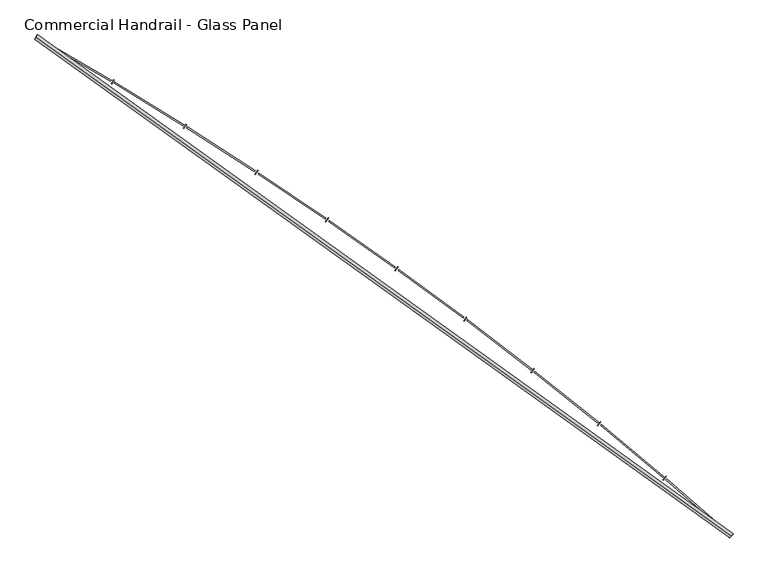
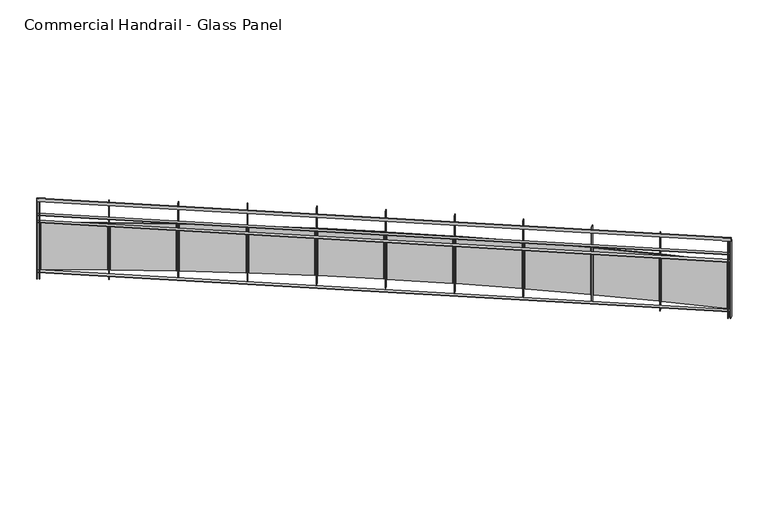
"""IFC4 building model written with IfcOpenShell, lengths in millimetres: railing geometry, Commercial Handrail - Glass Panel."""

from ifc_helpers import new_model, si_unit, point, frame, origin, place, context, project, spatial, polyline, circle_curve, ellipse_curve, trimmed, outline, extrude, source, transform, mapped, element, save
from ifc_brep_helpers import plane_surface, cylinder_surface, revolved_surface, advanced_brep


def commercial_handrail_glass_panel_45678887(model_context):
    return source(origin(), model_context, "Body", "SolidModel", [
        advanced_brep(
        [(167549.0741026, -21421.502679, 26482.5), (161013.6212135, -16726.1286002, 26482.5), (161013.6212135, -16726.1286002, 26517.5), (167549.0741026, -21421.502679, 26517.5)],
        [
            (0, 1, circle_curve(frame((141448.4989992, -50854.6714836, 26482.5), z_axis=(0.0, 0.0, 1.0), x_axis=(0.4973475894068907, 0.8675513675346002, 0.0)), 39338.9304203)),
            (1, 2, ellipse_curve(frame((161013.6212135, -16726.1286002, 26500.0), z_axis=(0.8675513675345968, -0.4973475894068965, 0.0), x_axis=(-0.4973475894068965, -0.8675513675345968, 0.0)), 25.0, 17.5)),
            (2, 3, circle_curve(frame((141448.4989992, -50854.6714836, 26517.5), z_axis=(0.0, 0.0, -1.0), x_axis=(0.4973475894068907, 0.8675513675346002, 0.0)), 39338.9304203)),
            (3, 0, ellipse_curve(frame((167549.0741026, -21421.502679, 26500.0), z_axis=(-0.7481944346262088, 0.6634795309535689, 0.0), x_axis=(-0.6634795309535689, -0.7481944346262088, 0.0)), 25.0, 17.5)),
            (2, 1, ellipse_curve(frame((161013.6212135, -16726.1286002, 26500.0), z_axis=(0.8675513675345968, -0.4973475894068965, 0.0), x_axis=(-0.4973475894068965, -0.8675513675345968, 0.0)), 25.0, 17.5)),
            (0, 3, ellipse_curve(frame((167549.0741026, -21421.502679, 26500.0), z_axis=(-0.7481944346262088, 0.6634795309535689, 0.0), x_axis=(-0.6634795309535689, -0.7481944346262088, 0.0)), 25.0, 17.5)),
        ],
        [
            revolved_surface(trimmed(ellipse_curve(frame((161013.6212135, -16726.1286002, 26500.0), z_axis=(-0.8675513675346002, 0.4973475894068907, 0.0), x_axis=(0.0, 0.0, -1.0)), 17.5, 25.0), [point((161013.6212135, -16726.1286002, 26517.5))], [point((161013.6212135, -16726.1286002, 26482.5))], True, "CARTESIAN"), (141448.4989992, -50854.6714836, 26500.0), (0.0, 0.0, -1.0)),
            revolved_surface(trimmed(ellipse_curve(frame((161013.6212135, -16726.1286002, 26500.0), z_axis=(-0.8675513675346002, 0.4973475894068907, 0.0), x_axis=(0.0, 0.0, -1.0)), 17.5, 25.0), [point((161013.6212135, -16726.1286002, 26482.5))], [point((161013.6212135, -16726.1286002, 26517.5))], True, "CARTESIAN"), (141448.4989992, -50854.6714836, 26500.0), (0.0, 0.0, -1.0)),
            plane_surface(frame((161013.6212135, -16726.1286002, 26500.0), z_axis=(-0.8675513675346002, 0.4973475894068907, 0.0), x_axis=(0.4973475894068907, 0.8675513675346002, 0.0))),
            plane_surface(frame((167549.0741026, -21421.502679, 26500.0), z_axis=(0.7481944346262088, -0.663479530953569, 0.0), x_axis=(0.663479530953569, 0.7481944346262088, 0.0))),
        ],
        [
            (0, [[1, 2, 3, 4]]),
            (1, [[-3, 5, -1, 6]]),
            (2, [[-2, -5]]),
            (3, [[-6, -4]]),
        ],
    ),
        advanced_brep(
        [(167564.0023921, -21404.6683042, 26300.0), (161024.8115343, -16706.6086944, 26300.0), (161002.4308928, -16745.6485059, 26300.0), (167534.1458132, -21438.3370538, 26300.0), (167564.0023921, -21404.6683042, 26294.0), (161024.8115343, -16706.6086944, 26294.0), (167534.1458132, -21438.3370538, 26294.0), (161002.4308928, -16745.6485059, 26294.0)],
        [
            (0, 1, circle_curve(frame((141448.4989992, -50854.6714836, 26300.0), z_axis=(0.0, 0.0, 1.0), x_axis=(0.4973475894068907, 0.8675513675346002, 0.0)), 39361.4304203)),
            (1, 2),
            (2, 3, circle_curve(frame((141448.4989992, -50854.6714836, 26300.0), z_axis=(0.0, 0.0, -1.0), x_axis=(0.4973475894068907, 0.8675513675346002, 0.0)), 39316.4304203)),
            (3, 0),
            (4, 5, circle_curve(frame((141448.4989992, -50854.6714836, 26294.0), z_axis=(0.0, 0.0, 1.0), x_axis=(0.4973475894068907, 0.8675513675346002, 0.0)), 39361.4304203)),
            (5, 1),
            (0, 4),
            (6, 7, circle_curve(frame((141448.4989992, -50854.6714836, 26294.0), z_axis=(0.0, 0.0, 1.0), x_axis=(0.4973475894068907, 0.8675513675346002, 0.0)), 39316.4304203)),
            (7, 5),
            (4, 6),
            (2, 7),
            (6, 3),
        ],
        [
            plane_surface(frame((141448.4989992, -50854.6714836, 26300.0), z_axis=(0.0, 0.0, 1.0), x_axis=(0.4973475894068907, 0.8675513675346002, 0.0))),
            cylinder_surface(frame((141448.4989992, -50854.6714836, 26300.0), z_axis=(0.0, 0.0, -1.0), x_axis=(0.4973475894068907, 0.8675513675346002, 0.0)), 39361.4304203),
            plane_surface(frame((141448.4989992, -50854.6714836, 26294.0), z_axis=(0.0, 0.0, -1.0), x_axis=(0.4973475894068907, 0.8675513675346002, 0.0))),
            revolved_surface(polyline([(161002.43089281995, -16745.64850588978, 26294.0), (161002.43089281995, -16745.64850588978, 26300.0)]), (141448.4989992, -50854.6714836, 26300.0), (0.0, 0.0, -1.0)),
            plane_surface(frame((161013.6212135, -16726.1286002, 26300.0), z_axis=(-0.8675513675346002, 0.4973475894068907, 0.0), x_axis=(0.4973475894068907, 0.8675513675346002, 0.0))),
            plane_surface(frame((167549.0741026, -21421.502679, 26300.0), z_axis=(0.7481944346262088, -0.663479530953569, 0.0), x_axis=(0.663479530953569, 0.7481944346262088, 0.0))),
        ],
        [
            (0, [[1, 2, 3, 4]]),
            (1, [[5, 6, -1, 7]]),
            (2, [[8, 9, -5, 10]]),
            (3, [[-3, 11, -8, 12]]),
            (4, [[-2, -6, -9, -11]]),
            (5, [[-12, -10, -7, -4]]),
        ],
    ),
        advanced_brep(
        [(167564.0023921, -21404.6683042, 26200.0), (161024.8115343, -16706.6086944, 26200.0), (161002.4308928, -16745.6485059, 26200.0), (167534.1458132, -21438.3370538, 26200.0), (167564.0023921, -21404.6683042, 26194.0), (161024.8115343, -16706.6086944, 26194.0), (167534.1458132, -21438.3370538, 26194.0), (161002.4308928, -16745.6485059, 26194.0)],
        [
            (0, 1, circle_curve(frame((141448.4989992, -50854.6714836, 26200.0), z_axis=(0.0, 0.0, 1.0), x_axis=(0.4973475894068907, 0.8675513675346002, 0.0)), 39361.4304203)),
            (1, 2),
            (2, 3, circle_curve(frame((141448.4989992, -50854.6714836, 26200.0), z_axis=(0.0, 0.0, -1.0), x_axis=(0.4973475894068907, 0.8675513675346002, 0.0)), 39316.4304203)),
            (3, 0),
            (4, 5, circle_curve(frame((141448.4989992, -50854.6714836, 26194.0), z_axis=(0.0, 0.0, 1.0), x_axis=(0.4973475894068907, 0.8675513675346002, 0.0)), 39361.4304203)),
            (5, 1),
            (0, 4),
            (6, 7, circle_curve(frame((141448.4989992, -50854.6714836, 26194.0), z_axis=(0.0, 0.0, 1.0), x_axis=(0.4973475894068907, 0.8675513675346002, 0.0)), 39316.4304203)),
            (7, 5),
            (4, 6),
            (2, 7),
            (6, 3),
        ],
        [
            plane_surface(frame((141448.4989992, -50854.6714836, 26200.0), z_axis=(0.0, 0.0, 1.0), x_axis=(0.4973475894068907, 0.8675513675346002, 0.0))),
            cylinder_surface(frame((141448.4989992, -50854.6714836, 26200.0), z_axis=(0.0, 0.0, -1.0), x_axis=(0.4973475894068907, 0.8675513675346002, 0.0)), 39361.4304203),
            plane_surface(frame((141448.4989992, -50854.6714836, 26194.0), z_axis=(0.0, 0.0, -1.0), x_axis=(0.4973475894068907, 0.8675513675346002, 0.0))),
            revolved_surface(polyline([(161002.43089281995, -16745.64850588978, 26194.0), (161002.43089281995, -16745.64850588978, 26200.0)]), (141448.4989992, -50854.6714836, 26200.0), (0.0, 0.0, -1.0)),
            plane_surface(frame((161013.6212135, -16726.1286002, 26200.0), z_axis=(-0.8675513675346002, 0.4973475894068907, 0.0), x_axis=(0.4973475894068907, 0.8675513675346002, 0.0))),
            plane_surface(frame((167549.0741026, -21421.502679, 26200.0), z_axis=(0.7481944346262088, -0.663479530953569, 0.0), x_axis=(0.663479530953569, 0.7481944346262088, 0.0))),
        ],
        [
            (0, [[1, 2, 3, 4]]),
            (1, [[5, 6, -1, 7]]),
            (2, [[8, 9, -5, 10]]),
            (3, [[-3, 11, -8, 12]]),
            (4, [[-2, -6, -9, -11]]),
            (5, [[-12, -10, -7, -4]]),
        ],
    ),
        advanced_brep(
        [(167564.0023921, -21404.6683042, 25500.0), (161024.8115343, -16706.6086944, 25500.0), (161002.4308928, -16745.6485059, 25500.0), (167534.1458132, -21438.3370538, 25500.0), (167564.0023921, -21404.6683042, 25494.0), (161024.8115343, -16706.6086944, 25494.0), (167534.1458132, -21438.3370538, 25494.0), (161002.4308928, -16745.6485059, 25494.0)],
        [
            (0, 1, circle_curve(frame((141448.4989992, -50854.6714836, 25500.0), z_axis=(0.0, 0.0, 1.0), x_axis=(0.4973475894068907, 0.8675513675346002, 0.0)), 39361.4304203)),
            (1, 2),
            (2, 3, circle_curve(frame((141448.4989992, -50854.6714836, 25500.0), z_axis=(0.0, 0.0, -1.0), x_axis=(0.4973475894068907, 0.8675513675346002, 0.0)), 39316.4304203)),
            (3, 0),
            (4, 5, circle_curve(frame((141448.4989992, -50854.6714836, 25494.0), z_axis=(0.0, 0.0, 1.0), x_axis=(0.4973475894068907, 0.8675513675346002, 0.0)), 39361.4304203)),
            (5, 1),
            (0, 4),
            (6, 7, circle_curve(frame((141448.4989992, -50854.6714836, 25494.0), z_axis=(0.0, 0.0, 1.0), x_axis=(0.4973475894068907, 0.8675513675346002, 0.0)), 39316.4304203)),
            (7, 5),
            (4, 6),
            (2, 7),
            (6, 3),
        ],
        [
            plane_surface(frame((141448.4989992, -50854.6714836, 25500.0), z_axis=(0.0, 0.0, 1.0), x_axis=(0.4973475894068907, 0.8675513675346002, 0.0))),
            cylinder_surface(frame((141448.4989992, -50854.6714836, 25500.0), z_axis=(0.0, 0.0, -1.0), x_axis=(0.4973475894068907, 0.8675513675346002, 0.0)), 39361.4304203),
            plane_surface(frame((141448.4989992, -50854.6714836, 25494.0), z_axis=(0.0, 0.0, -1.0), x_axis=(0.4973475894068907, 0.8675513675346002, 0.0))),
            revolved_surface(polyline([(161002.43089281995, -16745.64850588978, 25494.0), (161002.43089281995, -16745.64850588978, 25500.0)]), (141448.4989992, -50854.6714836, 25500.0), (0.0, 0.0, -1.0)),
            plane_surface(frame((161013.6212135, -16726.1286002, 25500.0), z_axis=(-0.8675513675346002, 0.4973475894068907, 0.0), x_axis=(0.4973475894068907, 0.8675513675346002, 0.0))),
            plane_surface(frame((167549.0741026, -21421.502679, 25500.0), z_axis=(0.7481944346262088, -0.663479530953569, 0.0), x_axis=(0.663479530953569, 0.7481944346262088, 0.0))),
        ],
        [
            (0, [[1, 2, 3, 4]]),
            (1, [[5, 6, -1, 7]]),
            (2, [[8, 9, -5, 10]]),
            (3, [[-3, 11, -8, 12]]),
            (4, [[-2, -6, -9, -11]]),
            (5, [[-12, -10, -7, -4]]),
        ],
    ),
        extrude(outline(polyline([(167508.9444824, -21416.0082801), (167538.7747877, -21382.3162501), (167543.2670583, -21386.2936241), (167513.436753, -21419.9856541), (167508.9444824, -21416.0082801)])), frame((0.0, 0.0, 25400.0), z_axis=(0.0, 0.0, 1.0), x_axis=(1.0, 0.0, 0.0)), (0.0, 0.0, 1.0), 1082.1192282),
        extrude(outline(polyline([(166942.1525945, -20883.992877), (167516.2667104, -21381.9818146), (167508.4037272, -21391.0467743), (166934.2896113, -20893.0578368), (166942.1525945, -20883.992877)])), frame((0.0, 0.0, 25520.0), z_axis=(0.0, 0.0, 1.0), x_axis=(1.0, 0.0, 0.0)), (0.0, 0.0, 1.0), 660.0),
        extrude(outline(polyline([(166904.9299151, -20892.1643286), (166934.0689354, -20857.8726752), (166938.6411559, -20861.7578779), (166909.5021355, -20896.0495313), (166904.9299151, -20892.1643286)])), frame((0.0, 0.0, 25400.0), z_axis=(0.0, 0.0, 1.0), x_axis=(1.0, 0.0, 0.0)), (0.0, 0.0, 1.0), 1082.1192282),
        extrude(outline(polyline([(166327.4368564, -20371.7844669), (166911.5587116, -20857.9960035), (166903.8816873, -20867.2189802), (166319.7598321, -20381.0074436), (166327.4368564, -20371.7844669)])), frame((0.0, 0.0, 25520.0), z_axis=(0.0, 0.0, 1.0), x_axis=(1.0, 0.0, 0.0)), (0.0, 0.0, 1.0), 660.0),
        extrude(outline(polyline([(166290.3880375, -20380.7111404), (166318.8237226, -20345.8340446), (166323.4740021, -20349.6254693), (166295.0383169, -20384.5025651), (166290.3880375, -20380.7111404)])), frame((0.0, 0.0, 25400.0), z_axis=(0.0, 0.0, 1.0), x_axis=(1.0, 0.0, 0.0)), (0.0, 0.0, 1.0), 1082.1192282),
        extrude(outline(polyline([(165702.4326258, -19872.1820192), (166296.3206611, -20346.4150858), (166288.8327706, -20355.7922653), (165694.9447352, -19881.5591987), (165702.4326258, -19872.1820192)])), frame((0.0, 0.0, 25520.0), z_axis=(0.0, 0.0, 1.0), x_axis=(1.0, 0.0, 0.0)), (0.0, 0.0, 1.0), 660.0),
        extrude(outline(polyline([(165665.5729886, -19881.860223), (165693.2935792, -19846.4121081), (165698.0199946, -19850.1081868), (165670.2994039, -19885.5563018), (165665.5729886, -19881.860223)])), frame((0.0, 0.0, 25400.0), z_axis=(0.0, 0.0, 1.0), x_axis=(1.0, 0.0, 0.0)), (0.0, 0.0, 1.0), 1082.1192282),
        extrude(outline(polyline([(165067.3983683, -19385.3921406), (165670.8069859, -19847.4506219), (165663.5113257, -19856.9781264), (165060.102708, -19394.9196451), (165067.3983683, -19385.3921406)])), frame((0.0, 0.0, 25520.0), z_axis=(0.0, 0.0, 1.0), x_axis=(1.0, 0.0, 0.0)), (0.0, 0.0, 1.0), 660.0),
        extrude(outline(polyline([(165030.7431559, -19395.8178725), (165057.7371883, -19359.8133976), (165062.537785, -19363.412602), (165035.5437525, -19399.4170768), (165030.7431559, -19395.8178725)])), frame((0.0, 0.0, 25400.0), z_axis=(0.0, 0.0, 1.0), x_axis=(1.0, 0.0, 0.0)), (0.0, 0.0, 1.0), 1082.1192282),
        extrude(outline(polyline([(164422.5966974, -18911.6161393), (165035.2763625, -19361.3089545), (165028.1759496, -19370.982844), (164415.4962846, -18921.2900288), (164422.5966974, -18911.6161393)])), frame((0.0, 0.0, 25520.0), z_axis=(0.0, 0.0, 1.0), x_axis=(1.0, 0.0, 0.0)), (0.0, 0.0, 1.0), 660.0),
        extrude(outline(polyline([(164386.1610683, -18922.7850878), (164412.4173794, -18886.2391424), (164417.2901721, -18889.7399839), (164391.033861, -18926.2859293), (164386.1610683, -18922.7850878)])), frame((0.0, 0.0, 25400.0), z_axis=(0.0, 0.0, 1.0), x_axis=(1.0, 0.0, 0.0)), (0.0, 0.0, 1.0), 1082.1192282),
        extrude(outline(polyline([(163768.294266, -18451.0499418), (164389.9916095, -18888.1911239), (164383.0893803, -18898.0073978), (163761.3920368, -18460.8662157), (163768.294266, -18451.0499418)])), frame((0.0, 0.0, 25520.0), z_axis=(0.0, 0.0, 1.0), x_axis=(1.0, 0.0, 0.0)), (0.0, 0.0, 1.0), 660.0),
        extrude(outline(polyline([(163732.0932877, -18462.957488), (163757.6010195, -18425.8851854), (163762.5439932, -18429.2862163), (163737.0362614, -18466.3585189), (163732.0932877, -18462.957488)])), frame((0.0, 0.0, 25400.0), z_axis=(0.0, 0.0, 1.0), x_axis=(1.0, 0.0, 0.0)), (0.0, 0.0, 1.0), 1082.1192282),
        extrude(outline(polyline([(163104.7616557, -18003.8840116), (163735.2195795, -18428.2927843), (163728.5183883, -18438.2473831), (163098.0604645, -18013.8386104), (163104.7616557, -18003.8840116)])), frame((0.0, 0.0, 25520.0), z_axis=(0.0, 0.0, 1.0), x_axis=(1.0, 0.0, 0.0)), (0.0, 0.0, 1.0), 660.0),
        extrude(outline(polyline([(163068.810299, -18016.5252312), (163093.5589027, -17978.9419023), (163098.5700133, -17982.2417162), (163073.8214095, -18019.8250451), (163068.810299, -18016.5252312)])), frame((0.0, 0.0, 25400.0), z_axis=(0.0, 0.0, 1.0), x_axis=(1.0, 0.0, 0.0)), (0.0, 0.0, 1.0), 1082.1192282),
        extrude(outline(polyline([(162432.2732653, -17570.3032708), (163071.2310484, -17981.8041231), (163064.7336665, -17991.8929302), (162425.7758834, -17580.3920779), (162432.2732653, -17570.3032708)])), frame((0.0, 0.0, 25520.0), z_axis=(0.0, 0.0, 1.0), x_axis=(1.0, 0.0, 0.0)), (0.0, 0.0, 1.0), 660.0),
        extrude(outline(polyline([(162396.5863975, -17583.6729362), (162420.5656387, -17545.5941233), (162425.6428138, -17548.7913555), (162401.6635725, -17586.8701683), (162396.5863975, -17583.6729362)])), frame((0.0, 0.0, 25400.0), z_axis=(0.0, 0.0, 1.0), x_axis=(1.0, 0.0, 0.0)), (0.0, 0.0, 1.0), 1082.1192282),
        extrude(outline(polyline([(161751.1071971, -17150.4870233), (162398.3006035, -17548.9097821), (162392.0097178, -17559.1286254), (161744.8163114, -17160.7058665), (161751.1071971, -17150.4870233)])), frame((0.0, 0.0, 25520.0), z_axis=(0.0, 0.0, 1.0), x_axis=(1.0, 0.0, 0.0)), (0.0, 0.0, 1.0), 660.0),
        extrude(outline(polyline([(161715.6995763, -17164.5796055), (161738.8995386, -17126.0210558), (161744.0406785, -17129.1143841), (161720.8407163, -17167.6729338), (161715.6995763, -17164.5796055)])), frame((0.0, 0.0, 25400.0), z_axis=(0.0, 0.0, 1.0), x_axis=(1.0, 0.0, 0.0)), (0.0, 0.0, 1.0), 1082.1192282),
        extrude(outline(polyline([(161061.5451422, -16744.6088808), (161716.70653, -17129.7887816), (161710.6247421, -17140.1334351), (161055.4633543, -16754.9535343), (161061.5451422, -16744.6088808)])), frame((0.0, 0.0, 25520.0), z_axis=(0.0, 0.0, 1.0), x_axis=(1.0, 0.0, 0.0)), (0.0, 0.0, 1.0), 660.0),
        extrude(outline(polyline([(161026.431411, -16759.418552), (161048.8425001, -16720.3962112), (161054.0454789, -16723.3843564), (161031.6343898, -16762.4066972), (161026.431411, -16759.418552)])), frame((0.0, 0.0, 25400.0), z_axis=(0.0, 0.0, 1.0), x_axis=(1.0, 0.0, 0.0)), (0.0, 0.0, 1.0), 1082.1192282),
        extrude(outline(polyline([(167531.9012299, -21436.3466152), (167561.7578088, -21402.6778657), (167566.2469754, -21406.6587428), (167536.3903965, -21440.3274924), (167531.9012299, -21436.3466152)])), frame((0.0, 0.0, 25400.0), z_axis=(0.0, 0.0, 1.0), x_axis=(1.0, 0.0, 0.0)), (0.0, 0.0, 1.0), 1082.1192282),
        extrude(outline(polyline([(160999.8282387, -16744.1564632), (161022.2088802, -16705.1166516), (161027.4141884, -16708.1007372), (161005.0335469, -16747.1405487), (160999.8282387, -16744.1564632)])), frame((0.0, 0.0, 25400.0), z_axis=(0.0, 0.0, 1.0), x_axis=(1.0, 0.0, 0.0)), (0.0, 0.0, 1.0), 1082.1192282),
    ])


if __name__ == "__main__":
    model = new_model("IFC4")
    model_context = context("Model", 3, world=origin())
    ifc_project = project(units=[si_unit("LENGTHUNIT", "METRE", prefix="MILLI")], contexts=[model_context])
    site = spatial("IfcSite", under=ifc_project)
    building = spatial("IfcBuilding", under=site)
    placement = place(None, origin())
    commercial_handrail_glass_panel_shape = commercial_handrail_glass_panel_45678887(model_context)
    element("IfcRailing", 1, ObjectType="Commercial Handrail - Glass Panel", at=placement, inside=building, context=model_context, shape_type="MappedRepresentation", body=[
        mapped(commercial_handrail_glass_panel_shape, transform((0.0, 0.0, 0.0), x_axis=(1.0, 0.0, 0.0), y_axis=(0.0, 1.0, 0.0), z_axis=(0.0, 0.0, 1.0))),
    ])
    save(model, "model.ifc")
